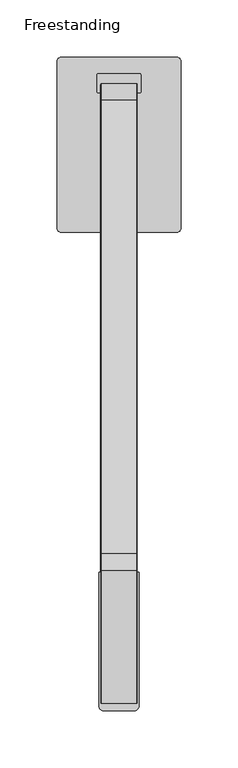
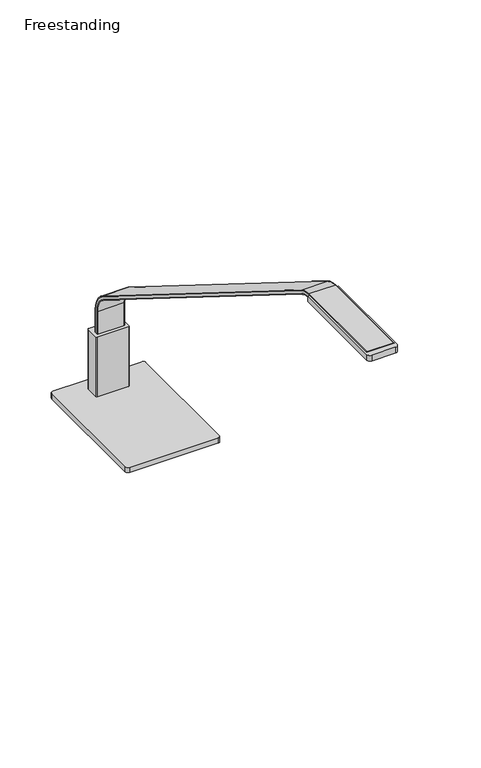
"""IFC4 building model written with IfcOpenShell, lengths in millimetres: furniture geometry, Freestanding."""

from ifc_helpers import new_model, si_unit, point, frame, frame_2d, origin, place, context, project, spatial, polyline, circle_curve, ellipse_curve, trimmed, segment, composite_curve, outline, extrude, source, transform, mapped, element, save
from ifc_brep_helpers import plane_surface, cylinder_surface, revolved_surface, advanced_brep


def freestanding_024eb263(model_context):
    return source(origin(), model_context, "Body", "SolidModel", [
        extrude(outline(composite_curve([segment(trimmed(circle_curve(frame_2d((-41.2113861, 31.553418)), 6.35), [point((-47.5613861, 31.553418))], [point((-34.8613861, 31.553418))], False, "CARTESIAN"), True, "CONTINUOUS"), segment(trimmed(circle_curve(frame_2d((-41.2113861, 31.553418)), 6.35), [point((-34.8613861, 31.553418))], [point((-47.5613861, 31.553418))], False, "CARTESIAN"), True, "CONTINUOUS")], self_intersect=False)), frame((0.0, 0.0, 723.9), z_axis=(0.0, 0.0, 1.0), x_axis=(1.0, 0.0, 0.0)), (0.0, 0.0, 1.0), 4.7497828),
        extrude(outline(composite_curve([segment(trimmed(circle_curve(frame_2d((41.2113861, 31.553418)), 6.35), [point((47.5613861, 31.553418))], [point((34.8613861, 31.553418))], False, "CARTESIAN"), True, "CONTINUOUS"), segment(trimmed(circle_curve(frame_2d((41.2113861, 31.553418)), 6.35), [point((34.8613861, 31.553418))], [point((47.5613861, 31.553418))], False, "CARTESIAN"), True, "CONTINUOUS")], self_intersect=False)), frame((0.0, 0.0, 723.9), z_axis=(0.0, 0.0, 1.0), x_axis=(1.0, 0.0, 0.0)), (0.0, 0.0, 1.0), 4.7497828),
        extrude(outline(composite_curve([segment(trimmed(circle_curve(frame_2d((-41.2113861, -94.7478165)), 6.35), [point((-47.5613861, -94.7478165))], [point((-34.8613861, -94.7478165))], False, "CARTESIAN"), True, "CONTINUOUS"), segment(trimmed(circle_curve(frame_2d((-41.2113861, -94.7478165)), 6.35), [point((-34.8613861, -94.7478165))], [point((-47.5613861, -94.7478165))], False, "CARTESIAN"), True, "CONTINUOUS")], self_intersect=False)), frame((0.0, 0.0, 723.9), z_axis=(0.0, 0.0, 1.0), x_axis=(1.0, 0.0, 0.0)), (0.0, 0.0, 1.0), 4.7497828),
        extrude(outline(composite_curve([segment(trimmed(circle_curve(frame_2d((41.2113861, -94.7478165)), 6.35), [point((47.5613861, -94.7478165))], [point((34.8613861, -94.7478165))], False, "CARTESIAN"), True, "CONTINUOUS"), segment(trimmed(circle_curve(frame_2d((41.2113861, -94.7478165)), 6.35), [point((34.8613861, -94.7478165))], [point((47.5613861, -94.7478165))], False, "CARTESIAN"), True, "CONTINUOUS")], self_intersect=False)), frame((0.0, 0.0, 723.9), z_axis=(0.0, 0.0, 1.0), x_axis=(1.0, 0.0, 0.0)), (0.0, 0.0, 1.0), 4.7497828),
        extrude(outline(composite_curve([segment(polyline([(-53.9751938, -104.6222477), (-53.9751938, 41.4278492)]), True, "CONTINUOUS"), segment(trimmed(circle_curve(frame_2d((-50.8000969, 41.4278492)), 3.1750969), [point((-53.9751938, 41.4278492))], [point((-50.8000969, 44.6029461))], False, "CARTESIAN"), True, "CONTINUOUS"), segment(polyline([(-50.8000969, 44.6029461), (50.7995155, 44.6029461)]), True, "CONTINUOUS"), segment(trimmed(circle_curve(frame_2d((50.7995155, 41.4278492)), 3.1750969), [point((50.7995155, 44.6029461))], [point((53.9746124, 41.4278492))], False, "CARTESIAN"), True, "CONTINUOUS"), segment(polyline([(53.9746124, 41.4278492), (53.9746124, -104.6222477)]), True, "CONTINUOUS"), segment(trimmed(circle_curve(frame_2d((50.7998062, -104.6222477)), 3.1748062), [point((53.9746124, -104.6222477))], [point((50.7998062, -107.7970539))], False, "CARTESIAN"), True, "CONTINUOUS"), segment(polyline([(50.7998062, -107.7970539), (-50.8003876, -107.7970539)]), True, "CONTINUOUS"), segment(trimmed(circle_curve(frame_2d((-50.8003876, -104.6222477)), 3.1748062), [point((-50.8003876, -107.7970539))], [point((-53.9751938, -104.6222477))], False, "CARTESIAN"), True, "CONTINUOUS")], self_intersect=False)), frame((0.0, 0.0, 728.6497828), z_axis=(0.0, 0.0, 1.0), x_axis=(1.0, 0.0, 0.0)), (0.0, 0.0, 1.0), 6.3500484),
        extrude(outline(composite_curve([segment(trimmed(circle_curve(frame_2d((18.034, 29.4391905)), 1.016), [point((18.034, 30.4551905))], [point((19.05, 29.4391905))], False, "CARTESIAN"), True, "CONTINUOUS"), segment(polyline([(19.05, 29.4391905), (19.05, 14.5802157)]), True, "CONTINUOUS"), segment(trimmed(circle_curve(frame_2d((18.034, 14.5802157)), 1.016), [point((19.05, 14.5802157))], [point((18.034, 13.5642157))], False, "CARTESIAN"), True, "CONTINUOUS"), segment(polyline([(18.034, 13.5642157), (-18.034, 13.5642157)]), True, "CONTINUOUS"), segment(trimmed(circle_curve(frame_2d((-18.034, 14.5802157)), 1.016), [point((-18.034, 13.5642157))], [point((-19.05, 14.5802157))], False, "CARTESIAN"), True, "CONTINUOUS"), segment(polyline([(-19.05, 14.5802157), (-19.05, 29.4391905)]), True, "CONTINUOUS"), segment(trimmed(circle_curve(frame_2d((-18.034, 29.4391905)), 1.016), [point((-19.05, 29.4391905))], [point((-18.034, 30.4551905))], False, "CARTESIAN"), True, "CONTINUOUS"), segment(polyline([(-18.034, 30.4551905), (18.034, 30.4551905)]), True, "CONTINUOUS")], self_intersect=False)), frame((0.0, 0.0, 734.9998312), z_axis=(0.0, 0.0, 1.0), x_axis=(1.0, 0.0, 0.0)), (0.0, 0.0, 1.0), 73.0249688),
        extrude(outline(composite_curve([segment(polyline([(17.4750961, -404.6055359), (17.4750961, -521.4455359)]), True, "CONTINUOUS"), segment(trimmed(circle_curve(frame_2d((13.6650961, -521.4455359)), 3.81), [point((17.4750961, -521.4455359))], [point((13.6650961, -525.2555359))], False, "CARTESIAN"), True, "CONTINUOUS"), segment(polyline([(13.6650961, -525.2555359), (-13.6525, -525.2555359)]), True, "CONTINUOUS"), segment(trimmed(circle_curve(frame_2d((-13.6525, -521.4455359)), 3.81), [point((-13.6525, -525.2555359))], [point((-17.4625, -521.4455359))], False, "CARTESIAN"), True, "CONTINUOUS"), segment(polyline([(-17.4625, -521.4455359), (-17.4625, -404.6055359), (17.4750961, -404.6055359)]), True, "CONTINUOUS")], self_intersect=False)), frame((0.0, 0.0, 1104.3666), z_axis=(0.0, 0.0, 1.0), x_axis=(1.0, 0.0, 0.0)), (0.0, 0.0, 1.0), 6.858),
        advanced_brep(
        [(-15.113, 21.5349501, 685.7240386), (15.113, 21.5349501, 685.7240386), (15.875, 20.7729501, 685.7240386), (15.875, 17.7249181, 685.7240386), (15.113, 16.9629181, 685.7240386), (-15.113, 16.9629181, 685.7240386), (-15.875, 17.7249181, 685.7240386), (-15.875, 20.7729501, 685.7240386), (-15.113, 21.5349501, 836.0409729), (15.113, 21.5349501, 836.0409729), (15.8749998, 20.7734392, 836.0409729), (15.875, 17.7249181, 836.0409729), (15.113, 16.9629181, 836.0409729), (-15.113, 16.9629181, 836.0409729), (-15.875, 17.7250276, 836.0409729), (-15.875, 20.7729501, 836.0409729), (15.113, 7.462795, 860.6735198), (-15.113, 7.462795, 860.6735198), (15.875, 7.0663158, 860.0227908), (15.113, 5.0839032, 856.7691185), (15.875, 5.4803824, 857.4198475), (-15.113, 5.0839032, 856.7691185), (-15.875, 5.4803824, 857.4198475), (-15.875, 7.0663158, 860.0227908), (-15.113, -387.9101641, 1107.7303139), (15.113, -387.9101641, 1107.7303139), (15.8749996, -388.3135603, 1107.0847451), (15.875, -389.9291735, 1104.4992236), (15.113, -390.332972, 1103.8530109), (-15.113, -390.332972, 1103.8530109), (-15.875, -389.929084, 1104.4993669), (-15.875, -388.3139626, 1107.0841013), (15.113, -403.0064861, 1112.11249), (-15.113, -403.0064861, 1112.11249), (15.875, -403.025238, 1111.3507207), (15.875, -403.1002467, 1108.3036119), (15.875, -518.8549576, 1111.3518746), (15.875, -518.8549576, 1108.3038426), (15.113, -403.1189987, 1107.5418426), (-15.113, -403.1189987, 1107.5418426), (-15.875, -403.1002467, 1108.3036119), (-15.875, -403.025238, 1111.3507207), (-15.875, -518.8549576, 1108.3038426), (-15.875, -518.8549576, 1111.3518746), (-15.113, -518.8549576, 1112.1138746), (-15.113, -518.8549576, 1107.5418426), (15.113, -518.8549576, 1107.5418426), (15.113, -518.8549576, 1112.1138746)],
        [
            (0, 1),
            (1, 2, circle_curve(frame((15.113, 20.7729501, 685.7240386), z_axis=(0.0, 0.0, -1.0), x_axis=(0.0, -1.0, 0.0)), 0.762)),
            (2, 3),
            (3, 4, circle_curve(frame((15.113, 17.7249181, 685.7240386), z_axis=(0.0, 0.0, -1.0), x_axis=(0.0, -1.0, 0.0)), 0.762)),
            (4, 5),
            (5, 6, circle_curve(frame((-15.113, 17.7249181, 685.7240386), z_axis=(0.0, 0.0, -1.0), x_axis=(0.0, -1.0, 0.0)), 0.762)),
            (6, 7),
            (7, 0, circle_curve(frame((-15.113, 20.7729501, 685.7240386), z_axis=(0.0, 0.0, -1.0), x_axis=(0.0, -1.0, 0.0)), 0.762)),
            (0, 8),
            (8, 9),
            (9, 1),
            (9, 10, circle_curve(frame((15.113, 20.7729501, 836.0409729), z_axis=(0.0, 0.0, -1.0), x_axis=(0.0, -1.0, 0.0)), 0.762)),
            (10, 2),
            (3, 11),
            (11, 12, circle_curve(frame((15.113, 17.7249181, 836.0409729), z_axis=(0.0, 0.0, -1.0), x_axis=(0.0, -1.0, 0.0)), 0.762)),
            (12, 4),
            (12, 13),
            (13, 5),
            (13, 14, circle_curve(frame((-15.113, 17.7249181, 836.0409729), z_axis=(0.0, 0.0, -1.0), x_axis=(0.0, -1.0, 0.0)), 0.762)),
            (14, 6),
            (7, 15),
            (15, 8, circle_curve(frame((-15.113, 20.7729501, 836.0409729), z_axis=(0.0, 0.0, -1.0), x_axis=(0.0, -1.0, 0.0)), 0.762)),
            (16, 9, circle_curve(frame((15.113, -7.8052046, 835.6146255), z_axis=(-1.0, 0.0, 0.0), x_axis=(0.0, 0.9998518796973476, 0.01721100420314434)), 29.3438238)),
            (8, 17, circle_curve(frame((-15.113, -7.8052046, 835.6146255), z_axis=(1.0, 0.0, 0.0), x_axis=(0.0, 0.9998518796973476, 0.01721100420314434)), 29.3438238)),
            (17, 16),
            (18, 10, circle_curve(frame((15.875, -7.8052046, 835.6146255), z_axis=(-1.0, 0.0, 0.0), x_axis=(0.0, 0.9998518796973476, 0.01721100420314434)), 28.5818238)),
            (16, 18, circle_curve(frame((15.113, 7.0663158, 860.0227908), z_axis=(0.0, 0.8539750822801532, -0.5203139041430717), x_axis=(0.0, -0.5203139041430717, -0.8539750822801532)), 0.762)),
            (19, 12, circle_curve(frame((15.113, -7.8052046, 835.6146255), z_axis=(-1.0, 0.0, 0.0), x_axis=(0.0, 0.9998518796973476, 0.01721100420314434)), 24.7717919)),
            (11, 20, circle_curve(frame((15.875, -7.8052046, 835.6146255), z_axis=(1.0, 0.0, 0.0), x_axis=(0.0, 0.9998518796973476, 0.01721100420314434)), 25.5337919)),
            (20, 19, circle_curve(frame((15.113, 5.4803824, 857.4198475), z_axis=(0.0, 0.8539750822801548, -0.5203139041430689), x_axis=(0.0, -0.5203139041430689, -0.8539750822801548)), 0.762)),
            (21, 13, circle_curve(frame((-15.113, -7.8052046, 835.6146255), z_axis=(-1.0, 0.0, 0.0), x_axis=(0.0, 0.9998518796973476, 0.01721100420314434)), 24.7717919)),
            (19, 21),
            (22, 14, circle_curve(frame((-15.875, -7.8052046, 835.6146255), z_axis=(-1.0, 0.0, 0.0), x_axis=(0.0, 0.9998518796973476, 0.01721100420314434)), 25.5337919)),
            (21, 22, circle_curve(frame((-15.113, 5.4803824, 857.4198475), z_axis=(0.0, 0.853975082280153, -0.520313904143072), x_axis=(0.0, -0.520313904143072, -0.853975082280153)), 0.762)),
            (15, 23, circle_curve(frame((-15.875, -7.8052046, 835.6146255), z_axis=(1.0, 0.0, 0.0), x_axis=(0.0, 0.9998518796973476, 0.01721100420314434)), 28.5818238)),
            (23, 17, circle_curve(frame((-15.113, 7.0663158, 860.0227908), z_axis=(0.0, 0.8539750822801523, -0.5203139041430731), x_axis=(0.0, -0.5203139041430731, -0.8539750822801523)), 0.762)),
            (17, 24),
            (24, 25),
            (25, 16),
            (25, 26, circle_curve(frame((15.113, -388.3139626, 1107.0841013), z_axis=(0.0, 0.8480480904042996, -0.5299192734385312), x_axis=(0.0, -0.5299192734385312, -0.8480480904042996)), 0.762)),
            (26, 18),
            (20, 27),
            (27, 28, circle_curve(frame((15.113, -389.9291735, 1104.4992236), z_axis=(0.0, 0.8480480904042996, -0.5299192734385312), x_axis=(0.0, -0.5299192734385312, -0.8480480904042996)), 0.762)),
            (28, 19),
            (28, 29),
            (29, 21),
            (29, 30, circle_curve(frame((-15.113, -389.9291735, 1104.4992236), z_axis=(0.0, 0.8480480904042996, -0.5299192734385312), x_axis=(0.0, -0.5299192734385312, -0.8480480904042996)), 0.762)),
            (30, 22),
            (23, 31),
            (31, 24, circle_curve(frame((-15.113, -388.3139626, 1107.0841013), z_axis=(0.0, 0.8480480904042996, -0.5299192734385312), x_axis=(0.0, -0.5299192734385312, -0.8480480904042996)), 0.762)),
            (32, 25, circle_curve(frame((15.113, -403.7649971, 1081.2991892), z_axis=(-1.0, 0.0, 0.0), x_axis=(0.0, 0.5116844334825991, 0.8591734635867146)), 30.8226353)),
            (24, 33, circle_curve(frame((-15.113, -403.7649971, 1081.2991892), z_axis=(1.0, 0.0, 0.0), x_axis=(0.0, 0.5116844334825991, 0.8591734635867146)), 30.8226353)),
            (33, 32),
            (34, 26, circle_curve(frame((15.875, -403.7649971, 1081.2991892), z_axis=(-1.0, 0.0, 0.0), x_axis=(0.0, 0.5116844334825991, 0.8591734635867146)), 30.0606353)),
            (32, 34, circle_curve(frame((15.113, -403.025238, 1111.3507207), z_axis=(0.0, 0.9996971552757794, -0.024608895414342857), x_axis=(0.0, -0.024608895414342857, -0.9996971552757794)), 0.762)),
            (35, 27, circle_curve(frame((15.875, -403.7649971, 1081.2991892), z_axis=(-1.0, 0.0, 0.0), x_axis=(0.0, 0.5116844334825991, 0.8591734635867146)), 27.0126033)),
            (34, 36),
            (36, 37),
            (37, 35),
            (38, 28, circle_curve(frame((15.113, -403.7649971, 1081.2991892), z_axis=(-1.0, 0.0, 0.0), x_axis=(0.0, 0.5116844334825991, 0.8591734635867146)), 26.2506033)),
            (35, 38, circle_curve(frame((15.113, -403.1002467, 1108.3036119), z_axis=(0.0, 0.9996971552757794, -0.024608895414340637), x_axis=(0.0, -0.024608895414340637, -0.9996971552757794)), 0.762)),
            (39, 29, circle_curve(frame((-15.113, -403.7649971, 1081.2991892), z_axis=(-1.0, 0.0, 0.0), x_axis=(0.0, 0.5116844334825991, 0.8591734635867146)), 26.2506033)),
            (38, 39),
            (40, 30, circle_curve(frame((-15.875, -403.7649971, 1081.2991892), z_axis=(-1.0, 0.0, 0.0), x_axis=(0.0, 0.5116844334825991, 0.8591734635867146)), 27.0126033)),
            (39, 40, circle_curve(frame((-15.113, -403.1002467, 1108.3036119), z_axis=(0.0, 0.9996971552757794, -0.02460889541434491), x_axis=(0.0, -0.02460889541434491, -0.9996971552757794)), 0.762)),
            (41, 31, circle_curve(frame((-15.875, -403.7649971, 1081.2991892), z_axis=(-1.0, 0.0, 0.0), x_axis=(0.0, 0.5116844334825991, 0.8591734635867146)), 30.0606353)),
            (40, 42),
            (42, 43),
            (43, 41),
            (41, 33, circle_curve(frame((-15.113, -403.025238, 1111.3507207), z_axis=(0.0, 0.9996971552757794, -0.02460889541434491), x_axis=(0.0, -0.02460889541434491, -0.9996971552757794)), 0.762)),
            (44, 43, circle_curve(frame((-15.113, -518.8549576, 1111.3518746), z_axis=(0.0, -1.0, 0.0), x_axis=(0.0, 0.0, -1.0)), 0.762)),
            (42, 45, circle_curve(frame((-15.113, -518.8549576, 1108.3038426), z_axis=(0.0, -1.0, 0.0), x_axis=(0.0, 0.0, -1.0)), 0.762)),
            (45, 46),
            (46, 37, circle_curve(frame((15.113, -518.8549576, 1108.3038426), z_axis=(0.0, -1.0, 0.0), x_axis=(0.0, 0.0, -1.0)), 0.762)),
            (36, 47, circle_curve(frame((15.113, -518.8549576, 1111.3518746), z_axis=(0.0, -1.0, 0.0), x_axis=(0.0, 0.0, -1.0)), 0.762)),
            (47, 44),
            (33, 44),
            (47, 32),
            (46, 38),
            (45, 39),
        ],
        [
            plane_surface(frame((0.0, 16.9629181, 685.7240386), z_axis=(0.0, 0.0, -1.0), x_axis=(1.0, 0.0, 0.0))),
            plane_surface(frame((-15.113, 21.5349501, 685.7240386), z_axis=(0.0, 1.0, 0.0), x_axis=(0.0, 0.0, 1.0))),
            cylinder_surface(frame((15.113, 20.7729501, 685.7240386), z_axis=(0.0, 0.0, -1.0), x_axis=(0.0, -1.0, 0.0)), 0.762),
            cylinder_surface(frame((15.113, 17.7249181, 685.7240386), z_axis=(0.0, 0.0, -1.0), x_axis=(0.0, -1.0, 0.0)), 0.762),
            plane_surface(frame((15.113, 16.9629181, 685.7240386), z_axis=(0.0, -1.0, 0.0), x_axis=(0.0, 0.0, 1.0))),
            cylinder_surface(frame((-15.113, 17.7249181, 685.7240386), z_axis=(0.0, 0.0, -1.0), x_axis=(0.0, -1.0, 0.0)), 0.762),
            cylinder_surface(frame((-15.113, 20.7729501, 685.7240386), z_axis=(0.0, 0.0, -1.0), x_axis=(0.0, -1.0, 0.0)), 0.762),
            cylinder_surface(frame((0.0, -7.8052046, 835.6146255), z_axis=(1.0, 0.0, 0.0), x_axis=(0.0, 0.9998518796973476, 0.01721100420314434)), 29.3438238),
            revolved_surface(trimmed(ellipse_curve(frame((15.113, 20.7723857, 836.1065473), z_axis=(0.0, 0.01721100420314435, -0.9998518796973476), x_axis=(0.0, -0.9998518796973476, -0.01721100420314435)), 0.762, 0.762), [point((15.113, 21.5342729, 836.1196621))], [point((15.875, 20.7723857, 836.1065473))], True, "CARTESIAN"), (0.0, -7.8052046, 835.6146255), (1.0, 0.0, 0.0)),
            revolved_surface(trimmed(ellipse_curve(frame((15.113, 17.7248052, 836.0540877), z_axis=(0.0, 0.01721100420314435, -0.9998518796973476), x_axis=(0.0, -0.9998518796973476, -0.01721100420314435)), 0.762, 0.762), [point((15.875, 17.7248052, 836.0540877))], [point((15.113, 16.9629181, 836.0409729))], True, "CARTESIAN"), (0.0, -7.8052046, 835.6146255), (1.0, 0.0, 0.0)),
            revolved_surface(polyline([(15.113, 16.96291809468653, 836.0409729145103), (-15.113, 16.96291809468653, 836.0409729145103)]), (0.0, -7.8052046, 835.6146255), (1.0, 0.0, 0.0)),
            revolved_surface(trimmed(ellipse_curve(frame((-15.113, 17.7248052, 836.0540877), z_axis=(0.0, 0.01721100420314435, -0.9998518796973476), x_axis=(0.0, -0.9998518796973476, -0.01721100420314435)), 0.762, 0.762), [point((-15.113, 16.9629181, 836.0409729))], [point((-15.875, 17.7248052, 836.0540877))], True, "CARTESIAN"), (0.0, -7.8052046, 835.6146255), (1.0, 0.0, 0.0)),
            revolved_surface(trimmed(ellipse_curve(frame((-15.113, 20.7723857, 836.1065473), z_axis=(0.0, 0.01721100420314435, -0.9998518796973476), x_axis=(0.0, -0.9998518796973476, -0.01721100420314435)), 0.762, 0.762), [point((-15.875, 20.7723857, 836.1065473))], [point((-15.113, 21.5342729, 836.1196621))], True, "CARTESIAN"), (0.0, -7.8052046, 835.6146255), (1.0, 0.0, 0.0)),
            plane_surface(frame((-15.113, 7.4629465, 860.6737685), z_axis=(0.0, 0.5299192734385312, 0.8480480904042996), x_axis=(0.0, -0.8480480904042996, 0.5299192734385312))),
            cylinder_surface(frame((15.113, 7.1029125, 860.0002088), z_axis=(0.0, 0.8480480904042996, -0.5299192734385312), x_axis=(0.0, -0.5299192734385312, -0.8480480904042996)), 0.762),
            cylinder_surface(frame((15.113, 5.4877017, 857.4153311), z_axis=(0.0, 0.8480480904042996, -0.5299192734385312), x_axis=(0.0, -0.5299192734385312, -0.8480480904042996)), 0.762),
            plane_surface(frame((15.113, 5.0839032, 856.7691185), z_axis=(0.0, -0.5299192734385314, -0.8480480904042996), x_axis=(0.0, -0.8480480904042996, 0.5299192734385314))),
            cylinder_surface(frame((-15.113, 5.4877017, 857.4153311), z_axis=(0.0, 0.8480480904042996, -0.5299192734385312), x_axis=(0.0, -0.5299192734385312, -0.8480480904042996)), 0.762),
            cylinder_surface(frame((-15.113, 7.1029125, 860.0002088), z_axis=(0.0, 0.8480480904042996, -0.5299192734385312), x_axis=(0.0, -0.5299192734385312, -0.8480480904042996)), 0.762),
            cylinder_surface(frame((0.0, -403.7649971, 1081.2991892), z_axis=(1.0, 0.0, 0.0), x_axis=(0.0, 0.5116844334825991, 0.8591734635867146)), 30.8226353),
            revolved_surface(trimmed(ellipse_curve(frame((15.113, -388.3834379, 1107.1264893), z_axis=(0.0, 0.8591734635867146, -0.5116844334825991), x_axis=(0.0, -0.5116844334825991, -0.8591734635867146)), 0.762, 0.762), [point((15.113, -387.9935344, 1107.7811795))], [point((15.875, -388.3834379, 1107.1264893))], True, "CARTESIAN"), (0.0, -403.7649971, 1081.2991892), (1.0, 0.0, 0.0)),
            plane_surface(frame((15.875, -403.7649971, 1081.2991892), z_axis=(1.0, 0.0, 0.0), x_axis=(0.0, 0.5116844334825991, 0.8591734635867146))),
            revolved_surface(trimmed(ellipse_curve(frame((15.113, -389.9430685, 1104.5077011), z_axis=(0.0, 0.8591734635867146, -0.5116844334825991), x_axis=(0.0, -0.5116844334825991, -0.8591734635867146)), 0.762, 0.762), [point((15.875, -389.9430685, 1104.5077011))], [point((15.113, -390.332972, 1103.8530109))], True, "CARTESIAN"), (0.0, -403.7649971, 1081.2991892), (1.0, 0.0, 0.0)),
            revolved_surface(polyline([(15.113, -390.33297202186304, 1103.853010958502), (-15.113, -390.33297202186304, 1103.853010958502)]), (0.0, -403.7649971, 1081.2991892), (1.0, 0.0, 0.0)),
            revolved_surface(trimmed(ellipse_curve(frame((-15.113, -389.9430685, 1104.5077011), z_axis=(0.0, 0.8591734635867146, -0.5116844334825991), x_axis=(0.0, -0.5116844334825991, -0.8591734635867146)), 0.762, 0.762), [point((-15.113, -390.332972, 1103.8530109))], [point((-15.875, -389.9430685, 1104.5077011))], True, "CARTESIAN"), (0.0, -403.7649971, 1081.2991892), (1.0, 0.0, 0.0)),
            plane_surface(frame((-15.875, -403.7649971, 1081.2991892), z_axis=(-1.0, 0.0, 0.0), x_axis=(0.0, 0.5116844334825991, 0.8591734635867146))),
            revolved_surface(trimmed(ellipse_curve(frame((-15.113, -388.3834379, 1107.1264893), z_axis=(0.0, 0.8591734635867146, -0.5116844334825991), x_axis=(0.0, -0.5116844334825991, -0.8591734635867146)), 0.762, 0.762), [point((-15.875, -388.3834379, 1107.1264893))], [point((-15.113, -387.9935344, 1107.7811795))], True, "CARTESIAN"), (0.0, -403.7649971, 1081.2991892), (1.0, 0.0, 0.0)),
            plane_surface(frame((0.0, -518.8549576, 1107.5418426), z_axis=(0.0, -1.0, 0.0), x_axis=(1.0, 0.0, 0.0))),
            plane_surface(frame((-15.113, -403.006452, 1112.1138746), z_axis=(0.0, 0.0, 1.0), x_axis=(0.0, -1.0, 0.0))),
            cylinder_surface(frame((15.113, -403.1189987, 1111.3518746), z_axis=(0.0, 1.0, 0.0), x_axis=(0.0, 0.0, -1.0)), 0.762),
            cylinder_surface(frame((15.113, -403.1189987, 1108.3038426), z_axis=(0.0, 1.0, 0.0), x_axis=(0.0, 0.0, -1.0)), 0.762),
            plane_surface(frame((15.113, -403.1189987, 1107.5418426), z_axis=(0.0, 0.0, -1.0), x_axis=(0.0, -1.0, 0.0))),
            cylinder_surface(frame((-15.113, -403.1189987, 1108.3038426), z_axis=(0.0, 1.0, 0.0), x_axis=(0.0, 0.0, -1.0)), 0.762),
            cylinder_surface(frame((-15.113, -403.1189987, 1111.3518746), z_axis=(0.0, 1.0, 0.0), x_axis=(0.0, 0.0, -1.0)), 0.762),
        ],
        [
            (0, [[1, 2, 3, 4, 5, 6, 7, 8]]),
            (1, [[-1, 9, 10, 11]]),
            (2, [[-2, -11, 12, 13]]),
            (3, [[-4, 14, 15, 16]]),
            (4, [[-5, -16, 17, 18]]),
            (5, [[-6, -18, 19, 20]]),
            (6, [[-8, 21, 22, -9]]),
            (7, [[23, -10, 24, 25]]),
            (8, [[26, -12, -23, 27]]),
            (9, [[28, -15, 29, 30]]),
            (10, [[31, -17, -28, 32]]),
            (11, [[33, -19, -31, 34]]),
            (12, [[-24, -22, 35, 36]]),
            (13, [[-25, 37, 38, 39]]),
            (14, [[-27, -39, 40, 41]]),
            (15, [[-30, 42, 43, 44]]),
            (16, [[-32, -44, 45, 46]]),
            (17, [[-34, -46, 47, 48]]),
            (18, [[-36, 49, 50, -37]]),
            (19, [[51, -38, 52, 53]]),
            (20, [[54, -40, -51, 55]]),
            (21, [[56, -42, -29, -14, -3, -13, -26, -41, -54, 57, 58, 59]]),
            (22, [[60, -43, -56, 61]]),
            (23, [[62, -45, -60, 63]]),
            (24, [[64, -47, -62, 65]]),
            (25, [[66, -49, -35, -21, -7, -20, -33, -48, -64, 67, 68, 69]]),
            (26, [[-52, -50, -66, 70]]),
            (27, [[71, -68, 72, 73, 74, -58, 75, 76]]),
            (28, [[-53, 77, -76, 78]]),
            (29, [[-55, -78, -75, -57]]),
            (30, [[-61, -59, -74, 79]]),
            (31, [[-63, -79, -73, 80]]),
            (32, [[-65, -80, -72, -67]]),
            (33, [[-70, -69, -71, -77]]),
        ],
    ),
    ])


if __name__ == "__main__":
    model = new_model("IFC4")
    model_context = context("Model", 3, world=origin())
    ifc_project = project(units=[si_unit("LENGTHUNIT", "METRE", prefix="MILLI")], contexts=[model_context])
    site = spatial("IfcSite", under=ifc_project)
    building = spatial("IfcBuilding", under=site)
    placement = place(None, origin())
    freestanding_shape = freestanding_024eb263(model_context)
    element("IfcFurniture", 1, ObjectType="Freestanding", at=placement, inside=building, context=model_context, shape_type="MappedRepresentation", body=[
        mapped(freestanding_shape, transform((0.0, 0.0, 0.0), x_axis=(1.0, 0.0, 0.0), y_axis=(0.0, 1.0, 0.0), z_axis=(0.0, 0.0, 1.0))),
    ])
    save(model, "model.ifc")
